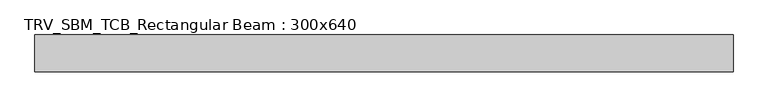
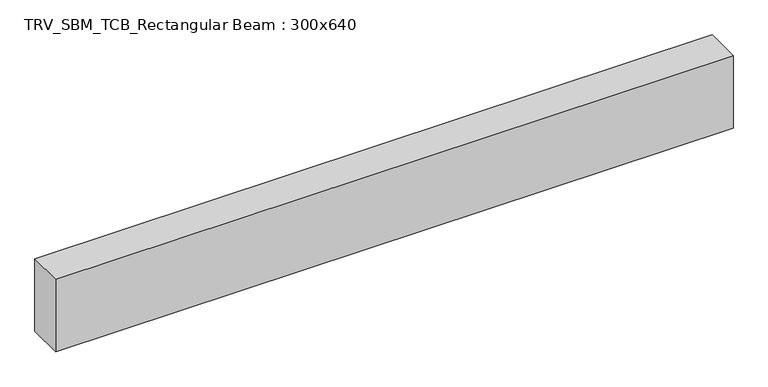
"""IFC4 building model written with IfcOpenShell, lengths in millimetres: beam geometry, TRV_SBM_TCB_Rectangular Beam : 300x640."""

from ifc_helpers import new_model, si_unit, frame, origin, place, context, project, spatial, polyline, outline, extrude, source, transform, mapped, element, save


def trv_sbm_tcb_rectangular_beam_300x640_640a5c70(model_context):
    return source(origin(), model_context, "Body", "SweptSolid", [
        extrude(outline(polyline([(2824.2, 150.0), (2824.2, -150.0), (-2824.2, -150.0), (-2824.2, 150.0), (2824.2, 150.0)])), frame((0.0, 0.0, -320.0), z_axis=(0.0, 0.0, 1.0), x_axis=(1.0, 0.0, 0.0)), (0.0, 0.0, 1.0), 640.0),
    ])


if __name__ == "__main__":
    model = new_model("IFC4")
    model_context = context("Model", 3, world=origin())
    ifc_project = project(units=[si_unit("LENGTHUNIT", "METRE", prefix="MILLI")], contexts=[model_context])
    site = spatial("IfcSite", under=ifc_project)
    building = spatial("IfcBuilding", under=site)
    placement = place(None, origin())
    trv_sbm_tcb_rectangular_beam_300x640_shape = trv_sbm_tcb_rectangular_beam_300x640_640a5c70(model_context)
    element("IfcBeam", 1, ObjectType="TRV_SBM_TCB_Rectangular Beam : 300x640", at=placement, inside=building, context=model_context, shape_type="MappedRepresentation", body=[
        mapped(trv_sbm_tcb_rectangular_beam_300x640_shape, transform((0.0, 0.0, 0.0), x_axis=(1.0, 0.0, 0.0), y_axis=(0.0, 1.0, 0.0), z_axis=(0.0, 0.0, 1.0))),
    ])
    save(model, "model.ifc")
